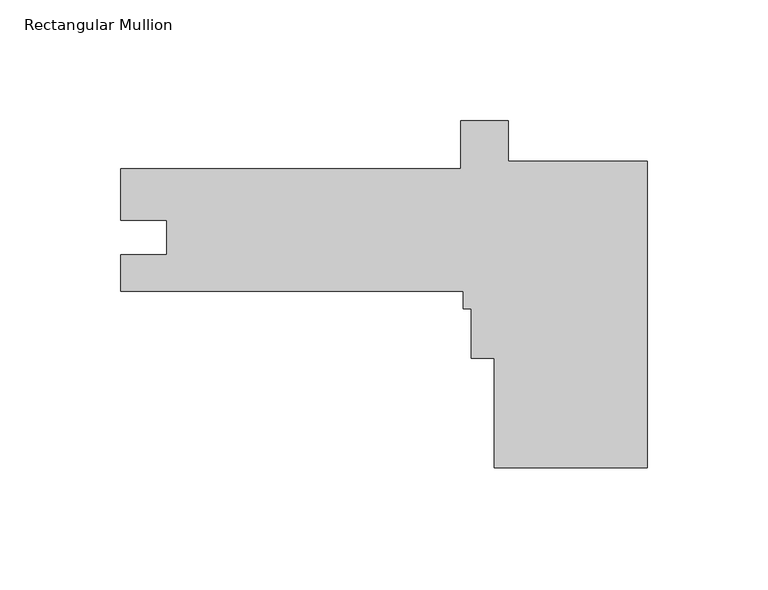
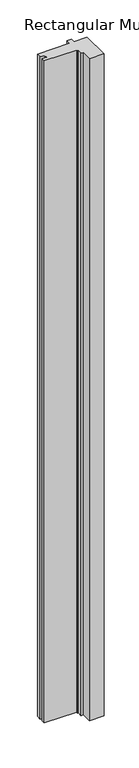
"""IFC4 building model written with IfcOpenShell, lengths in millimetres: member geometry, Rectangular Mullion."""

from ifc_helpers import new_model, si_unit, frame, origin, place, context, project, spatial, polyline, outline, extrude, source, transform, mapped, element, save


def rectangular_mullion_7200266a(model_context):
    return source(origin(), model_context, "Body", "SweptSolid", [
        extrude(outline(polyline([(-63.5, -65.2446461), (-63.5, -19.9549845), (-73.025, -19.9549845), (-73.025, 0.6698155), (-76.2, 0.6698155), (-76.2, 7.8323615), (-218.2812513, 7.8323615), (-218.2812513, 22.9326615), (-199.2566513, 22.9326615), (-199.2566513, 37.2455549), (-218.28125, 37.2455549), (-218.28125, 58.6323615), (-77.3782227, 58.6323615), (-77.3782227, 78.5964273), (-57.566014, 78.5964273), (-57.566014, 61.7553539), (0.0, 61.7553539), (0.0, -65.2446461), (-63.5, -65.2446461)])), frame((0.0, 0.0, -3048.0), z_axis=(0.0, 0.0, 1.0), x_axis=(1.0, 0.0, 0.0)), (0.0, 0.0, 1.0), 3048.0),
    ])


if __name__ == "__main__":
    model = new_model("IFC4")
    model_context = context("Model", 3, world=origin())
    ifc_project = project(units=[si_unit("LENGTHUNIT", "METRE", prefix="MILLI")], contexts=[model_context])
    site = spatial("IfcSite", under=ifc_project)
    building = spatial("IfcBuilding", under=site)
    placement = place(None, origin())
    rectangular_mullion_shape = rectangular_mullion_7200266a(model_context)
    element("IfcMember", 1, ObjectType="Rectangular Mullion", at=placement, inside=building, context=model_context, shape_type="MappedRepresentation", body=[
        mapped(rectangular_mullion_shape, transform((0.0, 0.0, 0.0), x_axis=(1.0, 0.0, 0.0), y_axis=(0.0, 1.0, 0.0), z_axis=(0.0, 0.0, 1.0))),
    ])
    save(model, "model.ifc")
